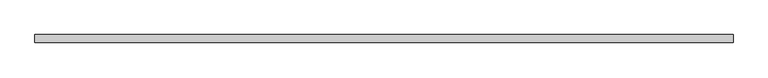
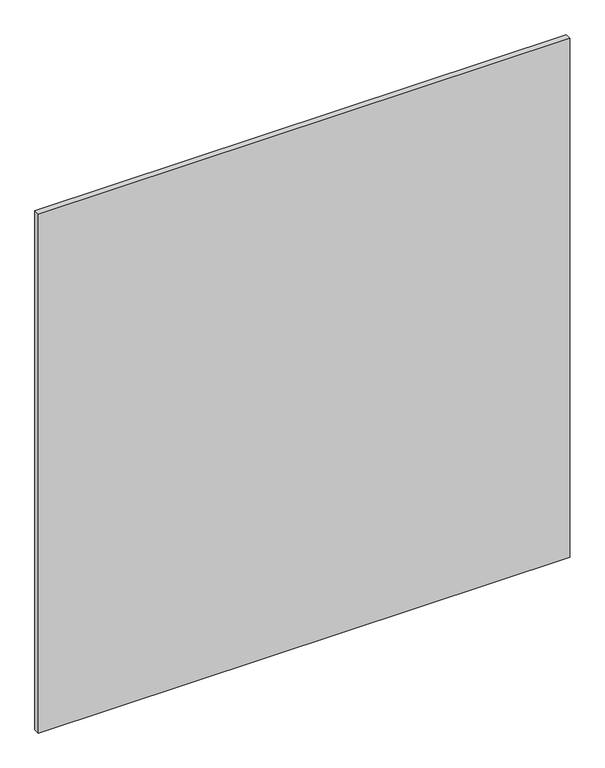
"""IFC4 building model written with IfcOpenShell, lengths in millimetres: plate geometry."""

from ifc_helpers import new_model, si_unit, origin, origin_with_axes, place, context, project, spatial, polyline, outline, extrude, source, transform, mapped, element, save


def plate_c3222e3b(model_context):
    return source(origin(), model_context, "Body", "SweptSolid", [
        extrude(outline(polyline([(627.75, 7.25), (627.75, -7.25), (-627.75, -7.25), (-627.75, 7.25), (627.75, 7.25)])), origin_with_axes(), (0.0, 0.0, 1.0), 1295.5),
    ])


if __name__ == "__main__":
    model = new_model("IFC4")
    model_context = context("Model", 3, world=origin())
    ifc_project = project(units=[si_unit("LENGTHUNIT", "METRE", prefix="MILLI")], contexts=[model_context])
    site = spatial("IfcSite", under=ifc_project)
    building = spatial("IfcBuilding", under=site)
    placement = place(None, origin())
    plate_shape = plate_c3222e3b(model_context)
    element("IfcPlate", 1, at=placement, inside=building, context=model_context, shape_type="MappedRepresentation", body=[
        mapped(plate_shape, transform((0.0, 0.0, 0.0), x_axis=(1.0, 0.0, 0.0), y_axis=(0.0, 1.0, 0.0), z_axis=(0.0, 0.0, 1.0))),
    ])
    save(model, "model.ifc")
